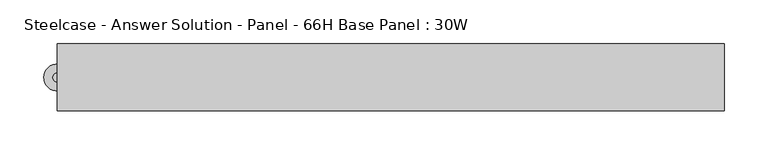
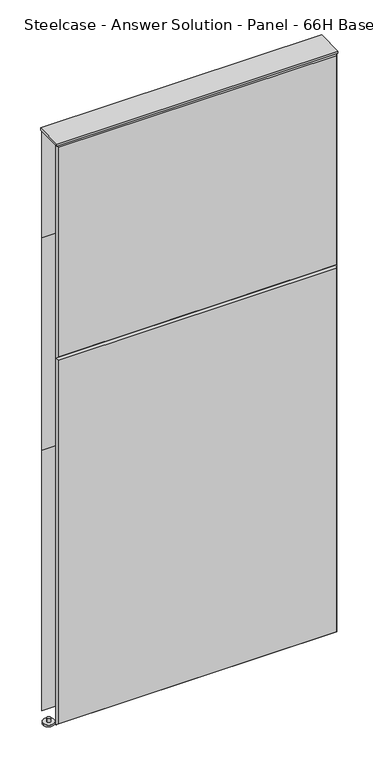
"""IFC4 building model written with IfcOpenShell, lengths in millimetres: furniture geometry, Steelcase - Answer Solution - Panel - 66H Base Panel : 30W."""

import ifcopenshell
import ifcopenshell.guid

model = None  # the IFC model being written
_history = None  # IfcOwnerHistory: only IFC2X3 demands one
_inside = {}  # id of a spatial element -> (the spatial element, [elements in it])
_under = {}  # id of a project, library or spatial element -> (it, [spatial elements below it])
_declared = {}  # id of a project -> (the project, [libraries it declares])
_typed = {}  # id of a type object -> (the type object, [elements of that type])
_made_of = {}  # id of a material, layer set ... -> (it, [elements and type objects made of it])


def new_model(schema):
    """Start an empty IFC model of exactly this schema.

    Asked for "IFC4X3", IfcOpenShell would pick the latest addendum, in which some entities
    have other attributes; the version numbers below select the first issue.
    IFC2X3 requires an IfcOwnerHistory on every rooted entity: one is made here for all.
    """
    global model, _history
    if schema == "IFC4X3":
        model = ifcopenshell.file(schema_version=(4, 3, 0, 0))
    else:
        model = ifcopenshell.file(schema=schema)
    _inside.clear()
    _under.clear()
    _declared.clear()
    _typed.clear()
    _made_of.clear()
    _history = None
    if model.schema == "IFC2X3":
        org = make("IfcOrganization", Name="unknown")
        user = make(
            "IfcPersonAndOrganization",
            ThePerson=make("IfcPerson", FamilyName="unknown"),
            TheOrganization=org,
        )
        app = make(
            "IfcApplication",
            ApplicationDeveloper=org,
            Version="unknown",
            ApplicationFullName="unknown",
            ApplicationIdentifier="unknown",
        )
        _history = make(
            "IfcOwnerHistory",
            OwningUser=user,
            OwningApplication=app,
            ChangeAction="ADDED",
            CreationDate=0,
        )
    return model


def make(cls, **values):
    """One entity of the class cls with the attributes given. An attribute that is None is left unset."""
    return model.create_entity(
        cls, **{name: value for name, value in values.items() if value is not None}
    )


def rooted(cls, **values):
    """An entity with a GlobalId (a new one), such as an element, a storey or a relation."""
    return make(cls, GlobalId=ifcopenshell.guid.new(), OwnerHistory=_history, **values)


def si_unit(unit_type, name, prefix=None):
    """IfcSIUnit, for example si_unit("LENGTHUNIT", "METRE", prefix="MILLI")."""
    return make("IfcSIUnit", UnitType=unit_type, Prefix=prefix, Name=name)


def assignment(units):
    """IfcUnitAssignment: the units of a project."""
    return None if units is None else make("IfcUnitAssignment", Units=units)


def point(xyz):
    """IfcCartesianPoint."""
    return None if xyz is None else make("IfcCartesianPoint", Coordinates=xyz)


def direction(xyz):
    """IfcDirection."""
    return None if xyz is None else make("IfcDirection", DirectionRatios=xyz)


def frame(location, z_axis=None, x_axis=None):
    """IfcAxis2Placement3D, a coordinate frame: its origin and axes. An axis left out is left unset."""
    return make(
        "IfcAxis2Placement3D",
        Location=point(location),
        Axis=direction(z_axis),
        RefDirection=direction(x_axis),
    )


def frame_2d(location, x_axis=None):
    """IfcAxis2Placement2D, a coordinate frame in the plane: its origin and x axis."""
    return make(
        "IfcAxis2Placement2D", Location=point(location), RefDirection=direction(x_axis)
    )


def origin():
    """The frame at (0, 0, 0) with its axes left unset."""
    return frame((0.0, 0.0, 0.0))


def place(relative_to, where):
    """IfcLocalPlacement: puts the frame where relative to a parent placement (None: the world)."""
    return make(
        "IfcLocalPlacement", PlacementRelTo=relative_to, RelativePlacement=where
    )


def context(
    kind, dimensions, precision=None, world=None, true_north=None, identifier=None
):
    """IfcGeometricRepresentationContext, for example the 3D "Model" context."""
    return make(
        "IfcGeometricRepresentationContext",
        ContextIdentifier=identifier,
        ContextType=kind,
        CoordinateSpaceDimension=dimensions,
        Precision=precision,
        WorldCoordinateSystem=world,
        TrueNorth=true_north,
    )


def project(units=None, contexts=None):
    """IfcProject with its units and contexts."""
    return rooted(
        "IfcProject",
        Name="project",
        RepresentationContexts=contexts,
        UnitsInContext=assignment(units),
    )


def spatial(cls, under=None, at=None, **own):
    """A site, building, storey or space (cls), placed at a placement, below another one or the project."""
    s = rooted(cls, ObjectPlacement=at, **own)
    if under is not None:
        _under.setdefault(under.id(), (under, []))[1].append(s)
    return s


def polyline(points):
    """IfcPolyline through the points."""
    return make("IfcPolyline", Points=[point(p) for p in points])


def circle_curve(where, radius):
    """IfcCircle in the frame where."""
    return make("IfcCircle", Position=where, Radius=radius)


def trimmed(basis, trim1, trim2, sense, master):
    """IfcTrimmedCurve: the piece of a basis curve between two trims."""
    return make(
        "IfcTrimmedCurve",
        BasisCurve=basis,
        Trim1=trim1,
        Trim2=trim2,
        SenseAgreement=sense,
        MasterRepresentation=master,
    )


def segment(curve, same_sense, transition):
    """IfcCompositeCurveSegment."""
    return make(
        "IfcCompositeCurveSegment",
        Transition=transition,
        SameSense=same_sense,
        ParentCurve=curve,
    )


def composite_curve(segments, self_intersect=None):
    """IfcCompositeCurve: segments joined end to end."""
    return make("IfcCompositeCurve", Segments=segments, SelfIntersect=self_intersect)


def outline(outer, holes=None, kind="AREA"):
    """IfcArbitraryClosedProfileDef: a profile drawn as a closed curve; with holes, ...WithVoids."""
    if holes is None:
        return make("IfcArbitraryClosedProfileDef", ProfileType=kind, OuterCurve=outer)
    return make(
        "IfcArbitraryProfileDefWithVoids",
        ProfileType=kind,
        OuterCurve=outer,
        InnerCurves=holes,
    )


def extrude(swept, where, along, depth):
    """IfcExtrudedAreaSolid: the profile swept, set in the frame where, extruded along a direction by depth."""
    return make(
        "IfcExtrudedAreaSolid",
        SweptArea=swept,
        Position=where,
        ExtrudedDirection=direction(along),
        Depth=depth,
    )


def faces_of(points, faces, orient=None, outer=None):
    """IfcFace entities. A face is a list of loops; a loop is a list of indices into points, from 0.

    orient and outer hold one flag for each loop. By default every Orientation is true, the
    first loop of a face is its IfcFaceOuterBound and the others are IfcFaceBound.
    """
    made = []
    for i, loops in enumerate(faces):
        bounds = []
        for j, loop in enumerate(loops):
            is_outer = j == 0 if outer is None else outer[i][j]
            bounds.append(
                make(
                    "IfcFaceOuterBound" if is_outer else "IfcFaceBound",
                    Bound=make("IfcPolyLoop", Polygon=[points[k] for k in loop]),
                    Orientation=True if orient is None else orient[i][j],
                )
            )
        made.append(make("IfcFace", Bounds=bounds))
    return made


def faceted_brep(points, faces, orient=None, outer=None, voids=None):
    """IfcFacetedBrep: a solid bounded by flat faces; with voids (closed shells), ...WithVoids."""
    shared = [point(p) for p in points]
    hull = make("IfcClosedShell", CfsFaces=faces_of(shared, faces, orient, outer))
    if voids is None:
        return make("IfcFacetedBrep", Outer=hull)
    return make(
        "IfcFacetedBrepWithVoids",
        Outer=hull,
        Voids=[
            make(cls, CfsFaces=faces_of(shared, fs, o, b)) for cls, fs, o, b in voids
        ],
    )


def shape(context_of_items, identifier, shape_type, items):
    """IfcShapeRepresentation: the items that make up one representation, for example the "Body"."""
    return make(
        "IfcShapeRepresentation",
        ContextOfItems=context_of_items,
        RepresentationIdentifier=identifier,
        RepresentationType=shape_type,
        Items=items,
    )


def source(mapping_origin, context_of_items, identifier, shape_type, items):
    """IfcRepresentationMap: a shape defined once, which mapped items show again and again."""
    return make(
        "IfcRepresentationMap",
        MappingOrigin=mapping_origin,
        MappedRepresentation=shape(context_of_items, identifier, shape_type, items),
    )


def transform(
    local_origin,
    x_axis=None,
    y_axis=None,
    z_axis=None,
    scale=None,
    scale2=None,
    scale3=None,
    uniform=True,
):
    """IfcCartesianTransformationOperator3D, or its non-uniform kind. x_axis, y_axis, z_axis: its Axis1, 2, 3."""
    if uniform:
        return make(
            "IfcCartesianTransformationOperator3D",
            Axis1=direction(x_axis),
            Axis2=direction(y_axis),
            LocalOrigin=point(local_origin),
            Scale=scale,
            Axis3=direction(z_axis),
        )
    return make(
        "IfcCartesianTransformationOperator3DnonUniform",
        Axis1=direction(x_axis),
        Axis2=direction(y_axis),
        LocalOrigin=point(local_origin),
        Scale=scale,
        Axis3=direction(z_axis),
        Scale2=scale2,
        Scale3=scale3,
    )


def mapped(mapping_source, mapping_target):
    """IfcMappedItem: shows the shape of a source again, moved by a transform."""
    return make(
        "IfcMappedItem", MappingSource=mapping_source, MappingTarget=mapping_target
    )


def made_of(thing, what):
    """Note that an element or type object is made of a material, layer set ...; save() writes the relation."""
    if what is not None:
        _made_of.setdefault(what.id(), (what, []))[1].append(thing)
    return thing


def element(
    cls,
    number,
    at=None,
    inside=None,
    cuts=None,
    type_object=None,
    material=None,
    context=None,
    identifier="Body",
    shape_type=None,
    held_by="IfcProductDefinitionShape",
    body=None,
    shapes=None,
    **own,
):
    """One element of the class cls, such as IfcWall. Its Tag is "e" and its number.

    at: its placement. inside: the storey or other place that contains it. cuts: it is an
    opening in that element (IfcRelVoidsElement). A single representation is given by context,
    identifier, shape_type and body (its items); several are given by shapes. held_by: the class
    of the entity that holds the representations. save() writes the other relations.
    """
    e = rooted(cls, Tag="e%d" % number, ObjectPlacement=at, **own)
    if body is not None:
        shapes = [shape(context, identifier, shape_type, body)]
    if shapes is not None:
        e.Representation = make(held_by, Representations=shapes)
    if inside is not None:
        _inside.setdefault(inside.id(), (inside, []))[1].append(e)
    if cuts is not None:
        rooted(
            "IfcRelVoidsElement", RelatingBuildingElement=cuts, RelatedOpeningElement=e
        )
    if type_object is not None:
        _typed.setdefault(type_object.id(), (type_object, []))[1].append(e)
    return made_of(e, material)


def aggregate(whole, parts):
    """IfcRelAggregates: a whole, such as a stair, and the parts it consists of."""
    return rooted("IfcRelAggregates", RelatingObject=whole, RelatedObjects=parts)


def save(model, path):
    """Write the relations noted so far, then the file.

    IfcRelAggregates (storeys below a building ...), IfcRelContainedInSpatialStructure (elements
    in a storey), IfcRelDefinesByType, IfcRelAssociatesMaterial and IfcRelDeclares: one each for
    every whole, place, type object, material and project.
    """
    for whole, parts in _under.values():
        aggregate(whole, parts)
    for where, things in _inside.values():
        rooted(
            "IfcRelContainedInSpatialStructure",
            RelatedElements=things,
            RelatingStructure=where,
        )
    for kind, things in _typed.values():
        rooted("IfcRelDefinesByType", RelatedObjects=things, RelatingType=kind)
    for what, things in _made_of.values():
        rooted("IfcRelAssociatesMaterial", RelatedObjects=things, RelatingMaterial=what)
    for by, libraries in _declared.values():
        rooted("IfcRelDeclares", RelatingContext=by, RelatedDefinitions=libraries)
    model.write(path)


def steelcase_answer_solution_panel_66h_base_panel_30w_43389a53(model_context):
    return source(origin(), model_context, "Body", "SolidModel", [
        extrude(outline(composite_curve([segment(trimmed(circle_curve(frame_2d((-381.0, -0.0320214)), 5.08), [point((-386.08, -0.0320214))], [point((-375.92, -0.0320214))], False, "CARTESIAN"), True, "CONTINUOUS"), segment(trimmed(circle_curve(frame_2d((-381.0, -0.0320214)), 5.08), [point((-375.92, -0.0320214))], [point((-386.08, -0.0320214))], False, "CARTESIAN"), True, "CONTINUOUS")], self_intersect=False)), frame((0.0, 0.0, 5.0799671), z_axis=(0.0, 0.0, 1.0), x_axis=(1.0, 0.0, 0.0)), (0.0, 0.0, 1.0), 10.414),
        extrude(outline(composite_curve([segment(trimmed(circle_curve(frame_2d((-381.0, -0.0320214)), 15.24), [point((-396.24, -0.0320214))], [point((-365.76, -0.0320214))], False, "CARTESIAN"), True, "CONTINUOUS"), segment(trimmed(circle_curve(frame_2d((-381.0, -0.0320214)), 15.24), [point((-365.76, -0.0320214))], [point((-396.24, -0.0320214))], False, "CARTESIAN"), True, "CONTINUOUS")], self_intersect=False)), frame((0.0, 0.0, -3.29e-05), z_axis=(0.0, 0.0, 1.0), x_axis=(1.0, 0.0, 0.0)), (0.0, 0.0, 1.0), 5.08),
        faceted_brep([(-376.174, -38.1635011, 1671.574), (-376.174, -38.1635011, 1071.626), (376.174, -38.1635011, 1071.626), (376.174, -38.1635011, 1671.574), (-381.0, -33.3375011, 1676.4), (381.0, -33.3375011, 1676.4), (381.0, -33.3375011, 1066.8), (-381.0, -33.3375011, 1066.8)], [[[0, 1, 2, 3]], [[4, 5, 6, 7]], [[4, 0, 3, 5]], [[5, 3, 2, 6]], [[6, 2, 1, 7]], [[7, 1, 0, 4]]]),
        faceted_brep([(-376.174, -38.1635011, 1061.974), (-376.174, -38.1635011, 20.32), (376.174, -38.1635011, 20.32), (376.174, -38.1635011, 1061.974), (-381.0, -33.3375011, 1066.8), (381.0, -33.3375011, 1066.8), (381.0, -33.3375011, 15.494), (-381.0, -33.3375011, 15.494)], [[[0, 1, 2, 3]], [[4, 5, 6, 7]], [[4, 0, 3, 5]], [[5, 3, 2, 6]], [[6, 2, 1, 7]], [[7, 1, 0, 4]]]),
        faceted_brep([(376.174, 38.1635011, 1671.574), (376.174, 38.1635011, 1376.426), (-376.174, 38.1635011, 1376.426), (-376.174, 38.1635011, 1671.574), (381.0, 33.3375011, 1676.4), (-381.0, 33.3375011, 1676.4), (-381.0, 33.3375011, 1371.6), (381.0, 33.3375011, 1371.6)], [[[0, 1, 2, 3]], [[4, 5, 6, 7]], [[4, 0, 3, 5]], [[5, 3, 2, 6]], [[6, 2, 1, 7]], [[7, 1, 0, 4]]]),
        faceted_brep([(376.174, 38.1635011, 1366.774), (376.174, 38.1635011, 766.826), (-376.174, 38.1635011, 766.826), (-376.174, 38.1635011, 1366.774), (381.0, 33.3375011, 1371.6), (-381.0, 33.3375011, 1371.6), (-381.0, 33.3375011, 762.0), (381.0, 33.3375011, 762.0)], [[[0, 1, 2, 3]], [[4, 5, 6, 7]], [[4, 0, 3, 5]], [[5, 3, 2, 6]], [[6, 2, 1, 7]], [[7, 1, 0, 4]]]),
        faceted_brep([(376.174, 38.1635011, 757.174), (376.174, 38.1635011, 20.32), (-376.174, 38.1635011, 20.32), (-376.174, 38.1635011, 757.174), (381.0, 33.3375011, 762.0), (-381.0, 33.3375011, 762.0), (-381.0, 33.3375011, 15.494), (381.0, 33.3375011, 15.494)], [[[0, 1, 2, 3]], [[4, 5, 6, 7]], [[4, 0, 3, 5]], [[5, 3, 2, 6]], [[6, 2, 1, 7]], [[7, 1, 0, 4]]]),
        extrude(outline(polyline([(381.0, -38.1000194), (-381.0, -38.1000194), (-381.0, 38.1000194), (381.0, 38.1000194), (381.0, -38.1000194)])), frame((0.0, 0.0, 1676.4), z_axis=(0.0, 0.0, 1.0), x_axis=(1.0, 0.0, 0.0)), (0.0, 0.0, 1.0), 6.35),
    ])


if __name__ == "__main__":
    model = new_model("IFC4")
    model_context = context("Model", 3, world=origin())
    ifc_project = project(units=[si_unit("LENGTHUNIT", "METRE", prefix="MILLI")], contexts=[model_context])
    site = spatial("IfcSite", under=ifc_project)
    building = spatial("IfcBuilding", under=site)
    placement = place(None, origin())
    steelcase_answer_solution_panel_66h_base_panel_30w_shape = steelcase_answer_solution_panel_66h_base_panel_30w_43389a53(model_context)
    element("IfcFurniture", 1, ObjectType="Steelcase - Answer Solution - Panel - 66H Base Panel : 30W", at=placement, inside=building, context=model_context, shape_type="MappedRepresentation", body=[
        mapped(steelcase_answer_solution_panel_66h_base_panel_30w_shape, transform((0.0, 0.0, 0.0), x_axis=(1.0, 0.0, 0.0), y_axis=(0.0, 1.0, 0.0), z_axis=(0.0, 0.0, 1.0))),
    ])
    save(model, "model.ifc")
